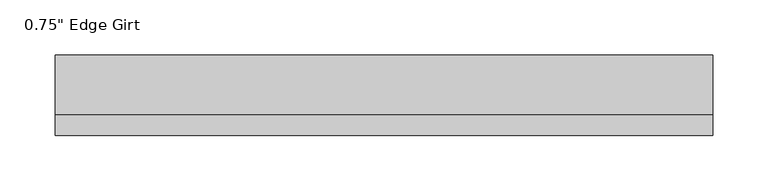
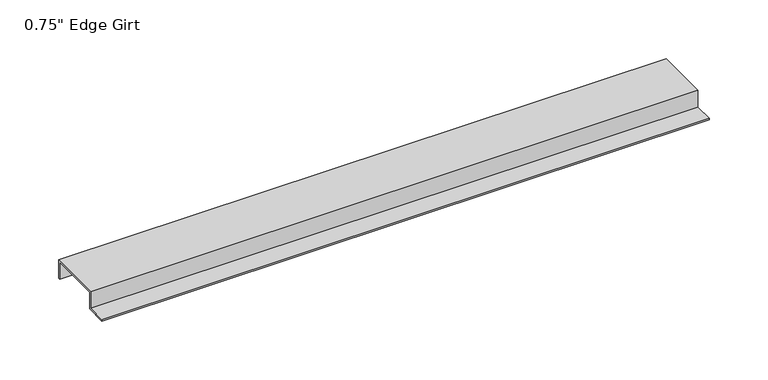
"""IFC4 building model written with IfcOpenShell, lengths in millimetres: proxy geometry."""

from ifc_helpers import new_model, si_unit, frame, origin, place, context, project, spatial, polyline, outline, extrude, source, transform, mapped, element, save


def proxy_118d47ec(model_context):
    return source(origin(), model_context, "Body", "SweptSolid", [
        extrude(outline(polyline([(-46.0559645, -17.4375), (-46.0559645, -15.8242), (-27.0129, -15.8242), (-27.0129, 1.6129), (27.0129, 1.6129), (27.0129, -17.4375), (25.4, -17.4375), (25.4, 0.0), (-25.4, 0.0), (-25.4, -17.4375), (-46.0559645, -17.4375)])), frame((0.0, 0.0, 0.0), z_axis=(1.0, 0.0, 0.0), x_axis=(0.0, 1.0, 0.0)), (0.0, 0.0, 1.0), 595.4117187),
    ])


if __name__ == "__main__":
    model = new_model("IFC4")
    model_context = context("Model", 3, world=origin())
    ifc_project = project(units=[si_unit("LENGTHUNIT", "METRE", prefix="MILLI")], contexts=[model_context])
    site = spatial("IfcSite", under=ifc_project)
    building = spatial("IfcBuilding", under=site)
    placement = place(None, origin())
    proxy_shape = proxy_118d47ec(model_context)
    element("IfcBuildingElementProxy", 1, Name="0.75\" Edge Girt", ObjectType="0.75\" Edge Girt", at=placement, inside=building, context=model_context, shape_type="MappedRepresentation", body=[
        mapped(proxy_shape, transform((0.0, 0.0, 0.0), x_axis=(1.0, 0.0, 0.0), y_axis=(0.0, 1.0, 0.0), z_axis=(0.0, 0.0, 1.0))),
    ])
    save(model, "model.ifc")
